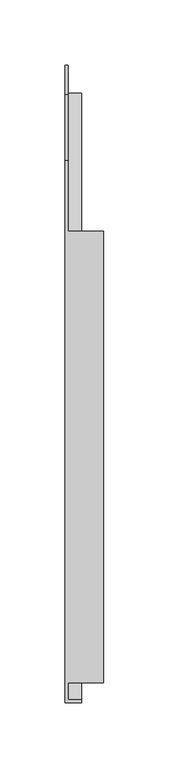
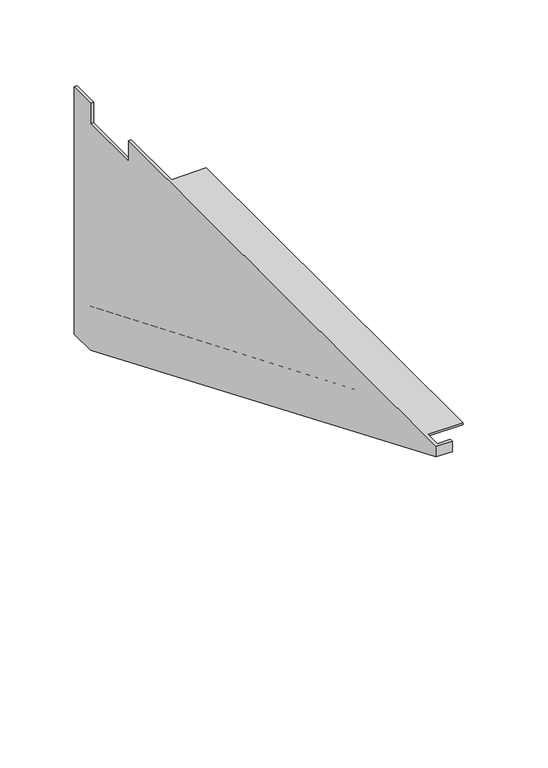
"""IFC4 building model written with IfcOpenShell, lengths in millimetres: furniture geometry."""

import ifcopenshell
import ifcopenshell.guid

model = None  # the IFC model being written
_history = None  # IfcOwnerHistory: only IFC2X3 demands one
_inside = {}  # id of a spatial element -> (the spatial element, [elements in it])
_under = {}  # id of a project, library or spatial element -> (it, [spatial elements below it])
_declared = {}  # id of a project -> (the project, [libraries it declares])
_typed = {}  # id of a type object -> (the type object, [elements of that type])
_made_of = {}  # id of a material, layer set ... -> (it, [elements and type objects made of it])


def new_model(schema):
    """Start an empty IFC model of exactly this schema.

    Asked for "IFC4X3", IfcOpenShell would pick the latest addendum, in which some entities
    have other attributes; the version numbers below select the first issue.
    IFC2X3 requires an IfcOwnerHistory on every rooted entity: one is made here for all.
    """
    global model, _history
    if schema == "IFC4X3":
        model = ifcopenshell.file(schema_version=(4, 3, 0, 0))
    else:
        model = ifcopenshell.file(schema=schema)
    _inside.clear()
    _under.clear()
    _declared.clear()
    _typed.clear()
    _made_of.clear()
    _history = None
    if model.schema == "IFC2X3":
        org = make("IfcOrganization", Name="unknown")
        user = make(
            "IfcPersonAndOrganization",
            ThePerson=make("IfcPerson", FamilyName="unknown"),
            TheOrganization=org,
        )
        app = make(
            "IfcApplication",
            ApplicationDeveloper=org,
            Version="unknown",
            ApplicationFullName="unknown",
            ApplicationIdentifier="unknown",
        )
        _history = make(
            "IfcOwnerHistory",
            OwningUser=user,
            OwningApplication=app,
            ChangeAction="ADDED",
            CreationDate=0,
        )
    return model


def make(cls, **values):
    """One entity of the class cls with the attributes given. An attribute that is None is left unset."""
    return model.create_entity(
        cls, **{name: value for name, value in values.items() if value is not None}
    )


def rooted(cls, **values):
    """An entity with a GlobalId (a new one), such as an element, a storey or a relation."""
    return make(cls, GlobalId=ifcopenshell.guid.new(), OwnerHistory=_history, **values)


def si_unit(unit_type, name, prefix=None):
    """IfcSIUnit, for example si_unit("LENGTHUNIT", "METRE", prefix="MILLI")."""
    return make("IfcSIUnit", UnitType=unit_type, Prefix=prefix, Name=name)


def assignment(units):
    """IfcUnitAssignment: the units of a project."""
    return None if units is None else make("IfcUnitAssignment", Units=units)


def point(xyz):
    """IfcCartesianPoint."""
    return None if xyz is None else make("IfcCartesianPoint", Coordinates=xyz)


def direction(xyz):
    """IfcDirection."""
    return None if xyz is None else make("IfcDirection", DirectionRatios=xyz)


def frame(location, z_axis=None, x_axis=None):
    """IfcAxis2Placement3D, a coordinate frame: its origin and axes. An axis left out is left unset."""
    return make(
        "IfcAxis2Placement3D",
        Location=point(location),
        Axis=direction(z_axis),
        RefDirection=direction(x_axis),
    )


def origin():
    """The frame at (0, 0, 0) with its axes left unset."""
    return frame((0.0, 0.0, 0.0))


def place(relative_to, where):
    """IfcLocalPlacement: puts the frame where relative to a parent placement (None: the world)."""
    return make(
        "IfcLocalPlacement", PlacementRelTo=relative_to, RelativePlacement=where
    )


def context(
    kind, dimensions, precision=None, world=None, true_north=None, identifier=None
):
    """IfcGeometricRepresentationContext, for example the 3D "Model" context."""
    return make(
        "IfcGeometricRepresentationContext",
        ContextIdentifier=identifier,
        ContextType=kind,
        CoordinateSpaceDimension=dimensions,
        Precision=precision,
        WorldCoordinateSystem=world,
        TrueNorth=true_north,
    )


def project(units=None, contexts=None):
    """IfcProject with its units and contexts."""
    return rooted(
        "IfcProject",
        Name="project",
        RepresentationContexts=contexts,
        UnitsInContext=assignment(units),
    )


def spatial(cls, under=None, at=None, **own):
    """A site, building, storey or space (cls), placed at a placement, below another one or the project."""
    s = rooted(cls, ObjectPlacement=at, **own)
    if under is not None:
        _under.setdefault(under.id(), (under, []))[1].append(s)
    return s


def faces_of(points, faces, orient=None, outer=None):
    """IfcFace entities. A face is a list of loops; a loop is a list of indices into points, from 0.

    orient and outer hold one flag for each loop. By default every Orientation is true, the
    first loop of a face is its IfcFaceOuterBound and the others are IfcFaceBound.
    """
    made = []
    for i, loops in enumerate(faces):
        bounds = []
        for j, loop in enumerate(loops):
            is_outer = j == 0 if outer is None else outer[i][j]
            bounds.append(
                make(
                    "IfcFaceOuterBound" if is_outer else "IfcFaceBound",
                    Bound=make("IfcPolyLoop", Polygon=[points[k] for k in loop]),
                    Orientation=True if orient is None else orient[i][j],
                )
            )
        made.append(make("IfcFace", Bounds=bounds))
    return made


def faceted_brep(points, faces, orient=None, outer=None, voids=None):
    """IfcFacetedBrep: a solid bounded by flat faces; with voids (closed shells), ...WithVoids."""
    shared = [point(p) for p in points]
    hull = make("IfcClosedShell", CfsFaces=faces_of(shared, faces, orient, outer))
    if voids is None:
        return make("IfcFacetedBrep", Outer=hull)
    return make(
        "IfcFacetedBrepWithVoids",
        Outer=hull,
        Voids=[
            make(cls, CfsFaces=faces_of(shared, fs, o, b)) for cls, fs, o, b in voids
        ],
    )


def shape(context_of_items, identifier, shape_type, items):
    """IfcShapeRepresentation: the items that make up one representation, for example the "Body"."""
    return make(
        "IfcShapeRepresentation",
        ContextOfItems=context_of_items,
        RepresentationIdentifier=identifier,
        RepresentationType=shape_type,
        Items=items,
    )


def source(mapping_origin, context_of_items, identifier, shape_type, items):
    """IfcRepresentationMap: a shape defined once, which mapped items show again and again."""
    return make(
        "IfcRepresentationMap",
        MappingOrigin=mapping_origin,
        MappedRepresentation=shape(context_of_items, identifier, shape_type, items),
    )


def transform(
    local_origin,
    x_axis=None,
    y_axis=None,
    z_axis=None,
    scale=None,
    scale2=None,
    scale3=None,
    uniform=True,
):
    """IfcCartesianTransformationOperator3D, or its non-uniform kind. x_axis, y_axis, z_axis: its Axis1, 2, 3."""
    if uniform:
        return make(
            "IfcCartesianTransformationOperator3D",
            Axis1=direction(x_axis),
            Axis2=direction(y_axis),
            LocalOrigin=point(local_origin),
            Scale=scale,
            Axis3=direction(z_axis),
        )
    return make(
        "IfcCartesianTransformationOperator3DnonUniform",
        Axis1=direction(x_axis),
        Axis2=direction(y_axis),
        LocalOrigin=point(local_origin),
        Scale=scale,
        Axis3=direction(z_axis),
        Scale2=scale2,
        Scale3=scale3,
    )


def mapped(mapping_source, mapping_target):
    """IfcMappedItem: shows the shape of a source again, moved by a transform."""
    return make(
        "IfcMappedItem", MappingSource=mapping_source, MappingTarget=mapping_target
    )


def made_of(thing, what):
    """Note that an element or type object is made of a material, layer set ...; save() writes the relation."""
    if what is not None:
        _made_of.setdefault(what.id(), (what, []))[1].append(thing)
    return thing


def element(
    cls,
    number,
    at=None,
    inside=None,
    cuts=None,
    type_object=None,
    material=None,
    context=None,
    identifier="Body",
    shape_type=None,
    held_by="IfcProductDefinitionShape",
    body=None,
    shapes=None,
    **own,
):
    """One element of the class cls, such as IfcWall. Its Tag is "e" and its number.

    at: its placement. inside: the storey or other place that contains it. cuts: it is an
    opening in that element (IfcRelVoidsElement). A single representation is given by context,
    identifier, shape_type and body (its items); several are given by shapes. held_by: the class
    of the entity that holds the representations. save() writes the other relations.
    """
    e = rooted(cls, Tag="e%d" % number, ObjectPlacement=at, **own)
    if body is not None:
        shapes = [shape(context, identifier, shape_type, body)]
    if shapes is not None:
        e.Representation = make(held_by, Representations=shapes)
    if inside is not None:
        _inside.setdefault(inside.id(), (inside, []))[1].append(e)
    if cuts is not None:
        rooted(
            "IfcRelVoidsElement", RelatingBuildingElement=cuts, RelatedOpeningElement=e
        )
    if type_object is not None:
        _typed.setdefault(type_object.id(), (type_object, []))[1].append(e)
    return made_of(e, material)


def aggregate(whole, parts):
    """IfcRelAggregates: a whole, such as a stair, and the parts it consists of."""
    return rooted("IfcRelAggregates", RelatingObject=whole, RelatedObjects=parts)


def save(model, path):
    """Write the relations noted so far, then the file.

    IfcRelAggregates (storeys below a building ...), IfcRelContainedInSpatialStructure (elements
    in a storey), IfcRelDefinesByType, IfcRelAssociatesMaterial and IfcRelDeclares: one each for
    every whole, place, type object, material and project.
    """
    for whole, parts in _under.values():
        aggregate(whole, parts)
    for where, things in _inside.values():
        rooted(
            "IfcRelContainedInSpatialStructure",
            RelatedElements=things,
            RelatingStructure=where,
        )
    for kind, things in _typed.values():
        rooted("IfcRelDefinesByType", RelatedObjects=things, RelatingType=kind)
    for what, things in _made_of.values():
        rooted("IfcRelAssociatesMaterial", RelatedObjects=things, RelatingMaterial=what)
    for by, libraries in _declared.values():
        rooted("IfcRelDeclares", RelatingContext=by, RelatedDefinitions=libraries)
    model.write(path)


def furniture_e782a16d(model_context):
    return source(origin(), model_context, "Body", "Brep", [
        faceted_brep([(23.1139999, 211.9808613, 706.4248), (-4.07162, 211.9808613, 706.4248), (-4.07162, 265.9558598, 706.4248), (-6.3539688, 265.9558598, 706.4248), (-6.3539688, -148.4807006, 706.4248), (6.3460312, -148.4807006, 706.4248), (6.3460312, -146.2023206, 706.4248), (-4.07162, -146.2023206, 706.4248), (-4.07162, -133.4589776, 706.4248), (23.1139999, -133.4589776, 706.4248), (23.1139999, -133.4589776, 704.9008015), (-4.07162, -133.4589776, 704.9008015), (-4.07162, 211.9808613, 704.9008015), (23.1139999, 211.9808613, 704.9008015), (-6.35, 265.9558598, 689.4583937), (-6.35, 316.7558601, 689.4583937), (-6.35, 316.7558601, 706.4248), (-6.35, 338.9808594, 706.4248), (-6.35, 338.9808594, 503.2248), (-6.35, 316.7558601, 503.2248), (-6.35, -148.4807006, 697.8336238), (-4.07162, -146.2023206, 699.350255), (-4.07162, 317.635086, 505.3266985), (-4.07162, 316.7558601, 503.2248), (-4.07162, 338.9808594, 503.2248), (-4.07162, 338.9808594, 706.4248), (-4.07162, 316.7558601, 706.4248), (-4.07162, 316.7558601, 689.4583937), (-4.07162, 265.9558598, 689.4583937), (6.3460312, -146.2023206, 699.350255), (6.3460312, 317.635086, 505.3266985), (6.3460312, -148.4807006, 697.8336238), (6.3460312, 316.7558601, 503.2248)], [[[0, 1, 2, 3, 4, 5, 6, 7, 8, 9]], [[10, 11, 12, 13]], [[13, 12, 1, 0]], [[9, 10, 13, 0]], [[9, 8, 11, 10]], [[3, 14, 15, 16, 17, 18, 19, 20, 4]], [[2, 1, 12, 11, 8, 7, 21, 22, 23, 24, 25, 26, 27, 28]], [[28, 14, 3, 2]], [[27, 15, 14, 28]], [[26, 16, 15, 27]], [[25, 17, 16, 26]], [[24, 18, 17, 25]], [[23, 19, 18, 24]], [[29, 30, 22, 21]], [[6, 29, 21, 7]], [[31, 20, 19, 23, 32]], [[4, 20, 31, 5]], [[23, 22, 30, 32]], [[5, 31, 32, 30, 29, 6]]]),
        faceted_brep([(-4.07162, 265.9558598, 706.4248), (-4.07162, 211.9808613, 706.4248), (-4.07162, 211.9808613, 704.9008015), (-4.07162, -133.4589776, 704.9008015), (-4.07162, -133.4589776, 706.4248), (-4.07162, -146.2023206, 706.4248), (-4.07162, -146.2023206, 699.350255), (-4.07162, 317.635086, 505.3266985), (-4.07162, 316.7558601, 503.2248), (-4.07162, 338.9808594, 503.2248), (-4.07162, 338.9808594, 706.4248), (-4.07162, 316.7558601, 706.4248), (-4.07162, 316.7558601, 689.4583937), (-4.07162, 265.9558598, 689.4583937), (-4.07162, 316.7558601, 551.9373491), (-4.07162, 316.7558601, 539.7453491), (-4.07162, -44.782029, 689.4583937), (-4.07162, -16.6213816, 689.4583937), (-4.07162, 316.7558601, 590.0400317), (-4.07162, 316.7558601, 577.8480317), (-4.07162, 51.0942056, 689.4583937), (-4.07162, 79.254853, 689.4583937), (-4.07162, 316.7558601, 628.1427143), (-4.07162, 316.7558601, 615.9507143), (-4.07162, 146.9704402, 689.4583937), (-4.07162, 175.1310876, 689.4583937), (-6.3539688, -148.4807006, 706.4248), (-6.3539688, 265.9558598, 706.4248), (-6.3539688, 265.9558598, 689.4583937), (-6.3539688, 316.7558601, 689.4583937), (-6.3539688, 316.7558601, 706.4248), (-6.3539688, 338.9808594, 706.4248), (-6.3539688, 338.9808594, 503.2248), (-6.3539688, 316.7558601, 503.2248), (-6.3539688, -148.4807006, 697.8336238), (-6.3539688, -16.6213816, 689.4583937), (-6.3539688, -44.782029, 689.4583937), (-6.3539688, 316.7558601, 539.7453491), (-6.3539688, 316.7558601, 551.9373491), (-6.3539688, 79.254853, 689.4583937), (-6.3539688, 51.0942056, 689.4583937), (-6.3539688, 316.7558601, 577.8480317), (-6.3539688, 316.7558601, 590.0400317), (-6.3539688, 175.1310876, 689.4583937), (-6.3539688, 146.9704402, 689.4583937), (-6.3539688, 316.7558601, 615.9507143), (-6.3539688, 316.7558601, 628.1427143), (6.3460312, 316.7558601, 503.2248), (6.3460312, -148.4807006, 697.8336238), (6.3460312, -148.4807006, 706.4248), (6.3460312, -146.2023206, 706.4248), (23.1139999, -133.4589776, 706.4248), (23.1139999, 211.9808613, 706.4248), (23.1139999, -133.4589776, 704.9008015), (23.1139999, 211.9808613, 704.9008015), (6.3460312, -146.2023206, 699.350255), (6.3460312, 317.635086, 505.3266985), (-4.86537, -16.6213816, 689.4583937), (-4.86537, -44.782029, 689.4583937), (-4.86537, 316.7558601, 539.7453491), (-4.86537, 316.7558601, 551.9373491), (-4.86537, 79.254853, 689.4583937), (-4.86537, 51.0942056, 689.4583937), (-4.86537, 316.7558601, 577.8480317), (-4.86537, 316.7558601, 590.0400317), (-4.86537, 175.1310876, 689.4583937), (-4.86537, 146.9704402, 689.4583937), (-4.86537, 316.7558601, 615.9507143), (-4.86537, 316.7558601, 628.1427143), (-5.55625, -16.6213816, 689.4583937), (-5.55625, 316.7558601, 551.9373491), (-5.55625, 316.7558601, 539.7453491), (-5.55625, -44.782029, 689.4583937), (-5.55625, 79.254853, 689.4583937), (-5.55625, 316.7558601, 590.0400317), (-5.55625, 316.7558601, 577.8480317), (-5.55625, 51.0942056, 689.4583937), (-5.55625, 175.1310876, 689.4583937), (-5.55625, 316.7558601, 628.1427143), (-5.55625, 316.7558601, 615.9507143), (-5.55625, 146.9704402, 689.4583937)], [[[0, 1, 2, 3, 4, 5, 6, 7, 8, 9, 10, 11, 12, 13], [14, 15, 16, 17], [18, 19, 20, 21], [22, 23, 24, 25]], [[26, 27, 28, 29, 30, 31, 32, 33, 34], [35, 36, 37, 38], [39, 40, 41, 42], [43, 44, 45, 46]], [[13, 28, 27, 0]], [[12, 29, 28, 13]], [[11, 30, 29, 12]], [[10, 31, 30, 11]], [[9, 32, 31, 10]], [[8, 33, 32, 9]], [[33, 8, 47, 48, 34]], [[27, 26, 49, 50, 5, 4, 51, 52, 1, 0]], [[53, 3, 2, 54]], [[54, 2, 1, 52]], [[54, 52, 51, 53]], [[51, 4, 3, 53]], [[34, 48, 49, 26]], [[55, 56, 7, 6]], [[50, 55, 6, 5]], [[57, 58, 59, 60]], [[61, 62, 63, 64]], [[65, 66, 67, 68]], [[60, 14, 17, 57]], [[59, 15, 14, 60]], [[58, 16, 15, 59]], [[57, 17, 16, 58]], [[64, 18, 21, 61]], [[63, 19, 18, 64]], [[62, 20, 19, 63]], [[61, 21, 20, 62]], [[68, 22, 25, 65]], [[67, 23, 22, 68]], [[66, 24, 23, 67]], [[65, 25, 24, 66]], [[69, 70, 71, 72]], [[73, 74, 75, 76]], [[77, 78, 79, 80]], [[69, 35, 38, 70]], [[70, 38, 37, 71]], [[71, 37, 36, 72]], [[72, 36, 35, 69]], [[73, 39, 42, 74]], [[74, 42, 41, 75]], [[75, 41, 40, 76]], [[76, 40, 39, 73]], [[77, 43, 46, 78]], [[78, 46, 45, 79]], [[79, 45, 44, 80]], [[80, 44, 43, 77]], [[8, 7, 56, 47]], [[49, 48, 47, 56, 55, 50]]]),
    ])


if __name__ == "__main__":
    model = new_model("IFC4")
    model_context = context("Model", 3, world=origin())
    ifc_project = project(units=[si_unit("LENGTHUNIT", "METRE", prefix="MILLI")], contexts=[model_context])
    site = spatial("IfcSite", under=ifc_project)
    building = spatial("IfcBuilding", under=site)
    placement = place(None, origin())
    furniture_shape = furniture_e782a16d(model_context)
    element("IfcFurniture", 1, at=placement, inside=building, context=model_context, shape_type="MappedRepresentation", body=[
        mapped(furniture_shape, transform((0.0, 0.0, 0.0), x_axis=(1.0, 0.0, 0.0), y_axis=(0.0, 1.0, 0.0), z_axis=(0.0, 0.0, 1.0))),
    ])
    save(model, "model.ifc")
